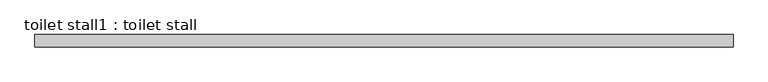
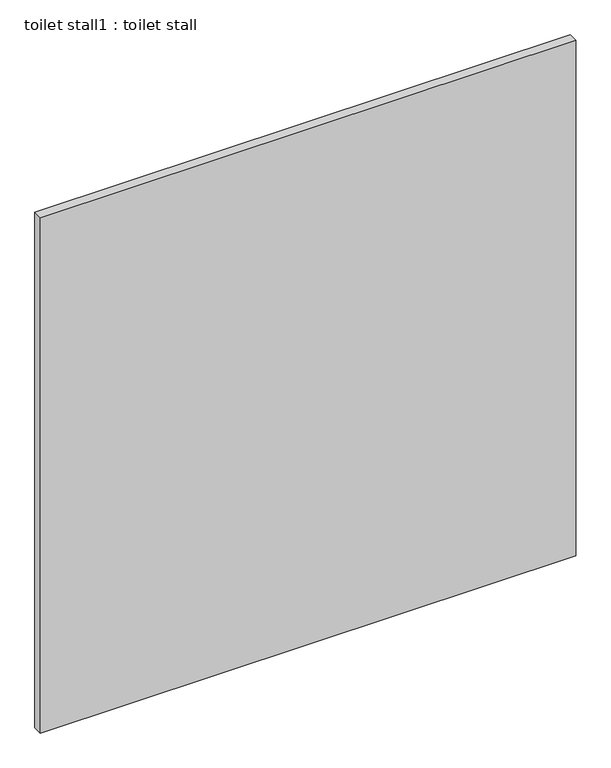
"""IFC4 building model written with IfcOpenShell, lengths in millimetres: proxy geometry, toilet stall1 : toilet stall."""

from ifc_helpers import new_model, si_unit, frame, origin, place, context, project, spatial, polyline, outline, extrude, source, transform, mapped, element, save


def toilet_stall1_toilet_stall_dcfc10f1(model_context):
    return source(origin(), model_context, "Body", "SweptSolid", [
        extrude(outline(polyline([(458233.2504676, -332602.6955223), (456785.4504676, -332602.6955223), (456785.4504676, -332577.2955223), (458233.2504676, -332577.2955223), (458233.2504676, -332602.6955223)])), frame((0.0, 0.0, 304.8), z_axis=(0.0, 0.0, 1.0), x_axis=(1.0, 0.0, 0.0)), (0.0, 0.0, 1.0), 1473.2),
    ])


if __name__ == "__main__":
    model = new_model("IFC4")
    model_context = context("Model", 3, world=origin())
    ifc_project = project(units=[si_unit("LENGTHUNIT", "METRE", prefix="MILLI")], contexts=[model_context])
    site = spatial("IfcSite", under=ifc_project)
    building = spatial("IfcBuilding", under=site)
    placement = place(None, origin())
    toilet_stall1_toilet_stall_shape = toilet_stall1_toilet_stall_dcfc10f1(model_context)
    element("IfcBuildingElementProxy", 1, Name="toilet stall1 : toilet stall", ObjectType="toilet stall1 : toilet stall", at=placement, inside=building, context=model_context, shape_type="MappedRepresentation", body=[
        mapped(toilet_stall1_toilet_stall_shape, transform((0.0, 0.0, 0.0), x_axis=(1.0, 0.0, 0.0), y_axis=(0.0, 1.0, 0.0), z_axis=(0.0, 0.0, 1.0))),
    ])
    save(model, "model.ifc")
